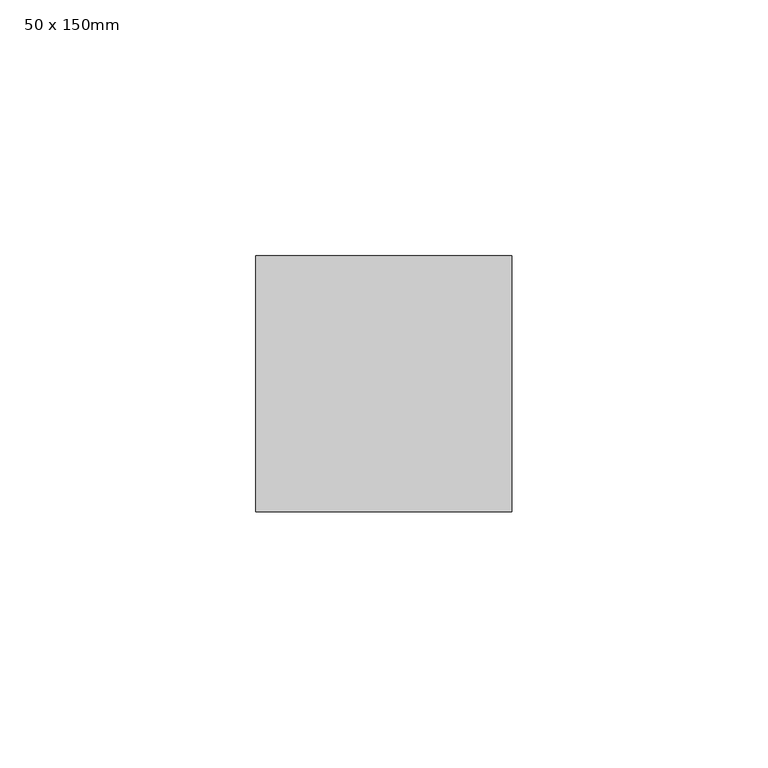
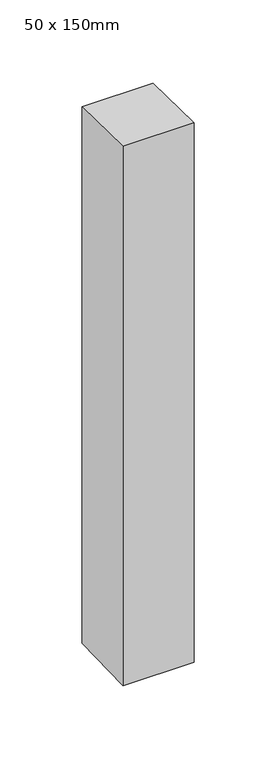
"""IFC4 building model written with IfcOpenShell, lengths in millimetres: member geometry, 50 x 150mm."""

import ifcopenshell
import ifcopenshell.guid

model = None  # the IFC model being written
_history = None  # IfcOwnerHistory: only IFC2X3 demands one
_inside = {}  # id of a spatial element -> (the spatial element, [elements in it])
_under = {}  # id of a project, library or spatial element -> (it, [spatial elements below it])
_declared = {}  # id of a project -> (the project, [libraries it declares])
_typed = {}  # id of a type object -> (the type object, [elements of that type])
_made_of = {}  # id of a material, layer set ... -> (it, [elements and type objects made of it])


def new_model(schema):
    """Start an empty IFC model of exactly this schema.

    Asked for "IFC4X3", IfcOpenShell would pick the latest addendum, in which some entities
    have other attributes; the version numbers below select the first issue.
    IFC2X3 requires an IfcOwnerHistory on every rooted entity: one is made here for all.
    """
    global model, _history
    if schema == "IFC4X3":
        model = ifcopenshell.file(schema_version=(4, 3, 0, 0))
    else:
        model = ifcopenshell.file(schema=schema)
    _inside.clear()
    _under.clear()
    _declared.clear()
    _typed.clear()
    _made_of.clear()
    _history = None
    if model.schema == "IFC2X3":
        org = make("IfcOrganization", Name="unknown")
        user = make(
            "IfcPersonAndOrganization",
            ThePerson=make("IfcPerson", FamilyName="unknown"),
            TheOrganization=org,
        )
        app = make(
            "IfcApplication",
            ApplicationDeveloper=org,
            Version="unknown",
            ApplicationFullName="unknown",
            ApplicationIdentifier="unknown",
        )
        _history = make(
            "IfcOwnerHistory",
            OwningUser=user,
            OwningApplication=app,
            ChangeAction="ADDED",
            CreationDate=0,
        )
    return model


def make(cls, **values):
    """One entity of the class cls with the attributes given. An attribute that is None is left unset."""
    return model.create_entity(
        cls, **{name: value for name, value in values.items() if value is not None}
    )


def rooted(cls, **values):
    """An entity with a GlobalId (a new one), such as an element, a storey or a relation."""
    return make(cls, GlobalId=ifcopenshell.guid.new(), OwnerHistory=_history, **values)


def si_unit(unit_type, name, prefix=None):
    """IfcSIUnit, for example si_unit("LENGTHUNIT", "METRE", prefix="MILLI")."""
    return make("IfcSIUnit", UnitType=unit_type, Prefix=prefix, Name=name)


def assignment(units):
    """IfcUnitAssignment: the units of a project."""
    return None if units is None else make("IfcUnitAssignment", Units=units)


def point(xyz):
    """IfcCartesianPoint."""
    return None if xyz is None else make("IfcCartesianPoint", Coordinates=xyz)


def direction(xyz):
    """IfcDirection."""
    return None if xyz is None else make("IfcDirection", DirectionRatios=xyz)


def frame(location, z_axis=None, x_axis=None):
    """IfcAxis2Placement3D, a coordinate frame: its origin and axes. An axis left out is left unset."""
    return make(
        "IfcAxis2Placement3D",
        Location=point(location),
        Axis=direction(z_axis),
        RefDirection=direction(x_axis),
    )


def origin():
    """The frame at (0, 0, 0) with its axes left unset."""
    return frame((0.0, 0.0, 0.0))


def place(relative_to, where):
    """IfcLocalPlacement: puts the frame where relative to a parent placement (None: the world)."""
    return make(
        "IfcLocalPlacement", PlacementRelTo=relative_to, RelativePlacement=where
    )


def context(
    kind, dimensions, precision=None, world=None, true_north=None, identifier=None
):
    """IfcGeometricRepresentationContext, for example the 3D "Model" context."""
    return make(
        "IfcGeometricRepresentationContext",
        ContextIdentifier=identifier,
        ContextType=kind,
        CoordinateSpaceDimension=dimensions,
        Precision=precision,
        WorldCoordinateSystem=world,
        TrueNorth=true_north,
    )


def project(units=None, contexts=None):
    """IfcProject with its units and contexts."""
    return rooted(
        "IfcProject",
        Name="project",
        RepresentationContexts=contexts,
        UnitsInContext=assignment(units),
    )


def spatial(cls, under=None, at=None, **own):
    """A site, building, storey or space (cls), placed at a placement, below another one or the project."""
    s = rooted(cls, ObjectPlacement=at, **own)
    if under is not None:
        _under.setdefault(under.id(), (under, []))[1].append(s)
    return s


def polyline(points):
    """IfcPolyline through the points."""
    return make("IfcPolyline", Points=[point(p) for p in points])


def outline(outer, holes=None, kind="AREA"):
    """IfcArbitraryClosedProfileDef: a profile drawn as a closed curve; with holes, ...WithVoids."""
    if holes is None:
        return make("IfcArbitraryClosedProfileDef", ProfileType=kind, OuterCurve=outer)
    return make(
        "IfcArbitraryProfileDefWithVoids",
        ProfileType=kind,
        OuterCurve=outer,
        InnerCurves=holes,
    )


def extrude(swept, where, along, depth):
    """IfcExtrudedAreaSolid: the profile swept, set in the frame where, extruded along a direction by depth."""
    return make(
        "IfcExtrudedAreaSolid",
        SweptArea=swept,
        Position=where,
        ExtrudedDirection=direction(along),
        Depth=depth,
    )


def shape(context_of_items, identifier, shape_type, items):
    """IfcShapeRepresentation: the items that make up one representation, for example the "Body"."""
    return make(
        "IfcShapeRepresentation",
        ContextOfItems=context_of_items,
        RepresentationIdentifier=identifier,
        RepresentationType=shape_type,
        Items=items,
    )


def source(mapping_origin, context_of_items, identifier, shape_type, items):
    """IfcRepresentationMap: a shape defined once, which mapped items show again and again."""
    return make(
        "IfcRepresentationMap",
        MappingOrigin=mapping_origin,
        MappedRepresentation=shape(context_of_items, identifier, shape_type, items),
    )


def transform(
    local_origin,
    x_axis=None,
    y_axis=None,
    z_axis=None,
    scale=None,
    scale2=None,
    scale3=None,
    uniform=True,
):
    """IfcCartesianTransformationOperator3D, or its non-uniform kind. x_axis, y_axis, z_axis: its Axis1, 2, 3."""
    if uniform:
        return make(
            "IfcCartesianTransformationOperator3D",
            Axis1=direction(x_axis),
            Axis2=direction(y_axis),
            LocalOrigin=point(local_origin),
            Scale=scale,
            Axis3=direction(z_axis),
        )
    return make(
        "IfcCartesianTransformationOperator3DnonUniform",
        Axis1=direction(x_axis),
        Axis2=direction(y_axis),
        LocalOrigin=point(local_origin),
        Scale=scale,
        Axis3=direction(z_axis),
        Scale2=scale2,
        Scale3=scale3,
    )


def mapped(mapping_source, mapping_target):
    """IfcMappedItem: shows the shape of a source again, moved by a transform."""
    return make(
        "IfcMappedItem", MappingSource=mapping_source, MappingTarget=mapping_target
    )


def made_of(thing, what):
    """Note that an element or type object is made of a material, layer set ...; save() writes the relation."""
    if what is not None:
        _made_of.setdefault(what.id(), (what, []))[1].append(thing)
    return thing


def element(
    cls,
    number,
    at=None,
    inside=None,
    cuts=None,
    type_object=None,
    material=None,
    context=None,
    identifier="Body",
    shape_type=None,
    held_by="IfcProductDefinitionShape",
    body=None,
    shapes=None,
    **own,
):
    """One element of the class cls, such as IfcWall. Its Tag is "e" and its number.

    at: its placement. inside: the storey or other place that contains it. cuts: it is an
    opening in that element (IfcRelVoidsElement). A single representation is given by context,
    identifier, shape_type and body (its items); several are given by shapes. held_by: the class
    of the entity that holds the representations. save() writes the other relations.
    """
    e = rooted(cls, Tag="e%d" % number, ObjectPlacement=at, **own)
    if body is not None:
        shapes = [shape(context, identifier, shape_type, body)]
    if shapes is not None:
        e.Representation = make(held_by, Representations=shapes)
    if inside is not None:
        _inside.setdefault(inside.id(), (inside, []))[1].append(e)
    if cuts is not None:
        rooted(
            "IfcRelVoidsElement", RelatingBuildingElement=cuts, RelatedOpeningElement=e
        )
    if type_object is not None:
        _typed.setdefault(type_object.id(), (type_object, []))[1].append(e)
    return made_of(e, material)


def aggregate(whole, parts):
    """IfcRelAggregates: a whole, such as a stair, and the parts it consists of."""
    return rooted("IfcRelAggregates", RelatingObject=whole, RelatedObjects=parts)


def save(model, path):
    """Write the relations noted so far, then the file.

    IfcRelAggregates (storeys below a building ...), IfcRelContainedInSpatialStructure (elements
    in a storey), IfcRelDefinesByType, IfcRelAssociatesMaterial and IfcRelDeclares: one each for
    every whole, place, type object, material and project.
    """
    for whole, parts in _under.values():
        aggregate(whole, parts)
    for where, things in _inside.values():
        rooted(
            "IfcRelContainedInSpatialStructure",
            RelatedElements=things,
            RelatingStructure=where,
        )
    for kind, things in _typed.values():
        rooted("IfcRelDefinesByType", RelatedObjects=things, RelatingType=kind)
    for what, things in _made_of.values():
        rooted("IfcRelAssociatesMaterial", RelatedObjects=things, RelatingMaterial=what)
    for by, libraries in _declared.values():
        rooted("IfcRelDeclares", RelatingContext=by, RelatedDefinitions=libraries)
    model.write(path)


def member_50_x_150mm_6c145df5(model_context):
    return source(origin(), model_context, "Body", "SweptSolid", [
        extrude(outline(polyline([(-25.0, 0.4210395), (25.0, -0.4210395), (25.0, -399.2141357), (-25.0, -400.7858643), (-25.0, 0.4210395)])), frame((-25.0, 0.0, 0.0), z_axis=(1.0, 0.0, 0.0), x_axis=(0.0, 1.0, 0.0)), (0.0, 0.0, 1.0), 50.0),
    ])


if __name__ == "__main__":
    model = new_model("IFC4")
    model_context = context("Model", 3, world=origin())
    ifc_project = project(units=[si_unit("LENGTHUNIT", "METRE", prefix="MILLI")], contexts=[model_context])
    site = spatial("IfcSite", under=ifc_project)
    building = spatial("IfcBuilding", under=site)
    placement = place(None, origin())
    member_50_x_150mm_shape = member_50_x_150mm_6c145df5(model_context)
    element("IfcMember", 1, ObjectType="50 x 150mm", at=placement, inside=building, context=model_context, shape_type="MappedRepresentation", body=[
        mapped(member_50_x_150mm_shape, transform((0.0, 0.0, 0.0), x_axis=(1.0, 0.0, 0.0), y_axis=(0.0, 1.0, 0.0), z_axis=(0.0, 0.0, 1.0))),
    ])
    save(model, "model.ifc")
